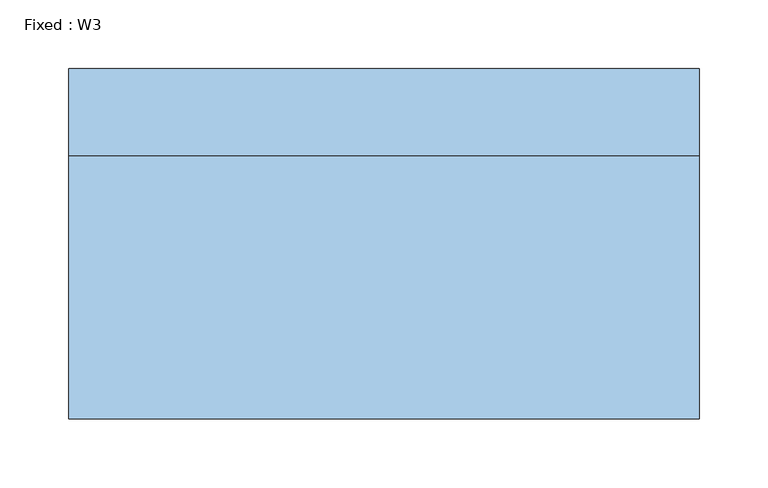
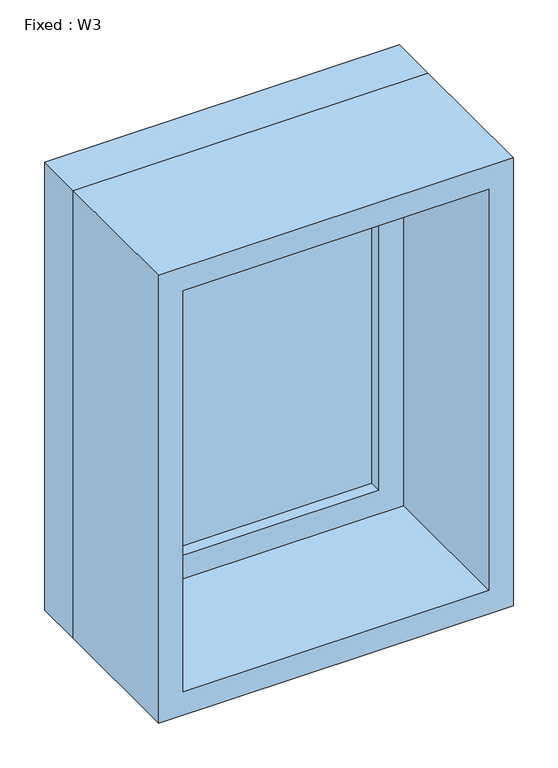
"""IFC4 building model written with IfcOpenShell, lengths in millimetres: window geometry, Fixed : W3."""

from ifc_helpers import new_model, si_unit, frame, origin, place, context, project, spatial, polyline, outline, extrude, source, transform, mapped, element, save


def fixed_w3_b5bd3ef7(model_context):
    return source(origin(), model_context, "Body", "SweptSolid", [
        extrude(outline(polyline([(127.0, 79.375), (-203.2, 79.375), (-203.2, 92.075), (127.0, 92.075), (127.0, 79.375)])), frame((0.0, 0.0, 368.3), z_axis=(0.0, 0.0, 1.0), x_axis=(1.0, 0.0, 0.0)), (0.0, 0.0, 1.0), 482.6),
        extrude(outline(polyline([(895.35, -247.65), (323.85, -247.65), (323.85, 171.45), (895.35, 171.45), (895.35, -247.65)]), holes=[polyline([(850.9, -203.2), (850.9, 127.0), (368.3, 127.0), (368.3, -203.2), (850.9, -203.2)])]), frame((0.0, 63.5, 0.0), z_axis=(0.0, 1.0, 0.0), x_axis=(0.0, 0.0, 1.0)), (0.0, 0.0, 1.0), 44.45),
        extrude(outline(polyline([(914.4, -266.7), (304.8, -266.7), (304.8, 190.5), (914.4, 190.5), (914.4, -266.7)]), holes=[polyline([(882.65, -234.95), (882.65, 158.75), (336.55, 158.75), (336.55, -234.95), (882.65, -234.95)])]), frame((0.0, -127.0, 0.0), z_axis=(0.0, 1.0, 0.0), x_axis=(0.0, 0.0, 1.0)), (0.0, 0.0, 1.0), 190.5),
        extrude(outline(polyline([(914.4, 190.5), (914.4, -266.7), (304.8, -266.7), (304.8, 190.5), (914.4, 190.5)]), holes=[polyline([(895.35, 171.45), (323.85, 171.45), (323.85, -247.65), (895.35, -247.65), (895.35, 171.45)])]), frame((0.0, 63.5, 0.0), z_axis=(0.0, 1.0, 0.0), x_axis=(0.0, 0.0, 1.0)), (0.0, 0.0, 1.0), 63.5),
    ])


if __name__ == "__main__":
    model = new_model("IFC4")
    model_context = context("Model", 3, world=origin())
    ifc_project = project(units=[si_unit("LENGTHUNIT", "METRE", prefix="MILLI")], contexts=[model_context])
    site = spatial("IfcSite", under=ifc_project)
    building = spatial("IfcBuilding", under=site)
    placement = place(None, origin())
    fixed_w3_shape = fixed_w3_b5bd3ef7(model_context)
    element("IfcWindow", 1, ObjectType="Fixed : W3", at=placement, inside=building, context=model_context, shape_type="MappedRepresentation", body=[
        mapped(fixed_w3_shape, transform((0.0, 0.0, 0.0), x_axis=(1.0, 0.0, 0.0), y_axis=(0.0, 1.0, 0.0), z_axis=(0.0, 0.0, 1.0))),
    ])
    save(model, "model.ifc")
